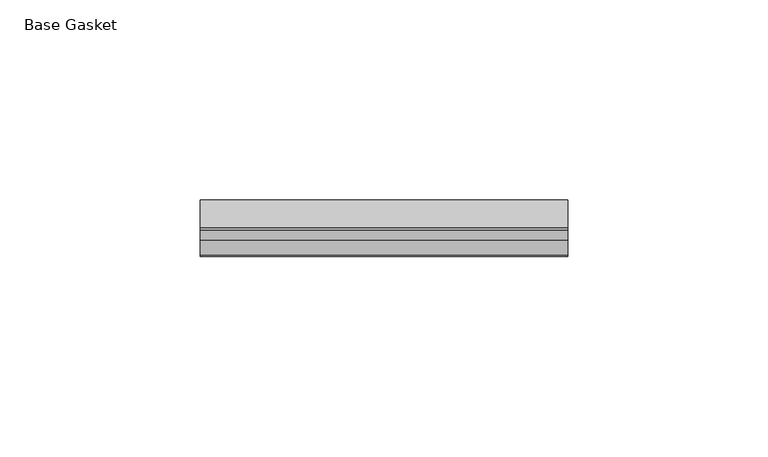
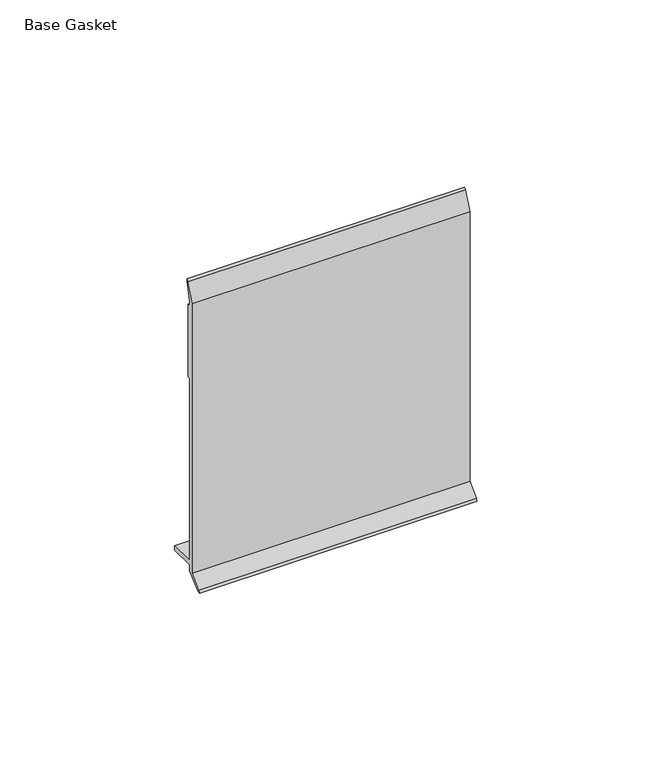
"""IFC4 building model written with IfcOpenShell, lengths in millimetres: furniture geometry, Base Gasket."""

from ifc_helpers import new_model, si_unit, frame, origin, place, context, project, spatial, polyline, outline, extrude, source, transform, mapped, element, save


def base_gasket_173f4ce4(model_context):
    return source(origin(), model_context, "Body", "SweptSolid", [
        extrude(outline(polyline([(-3.7283812, 98.4568417), (-1.1891543, 104.587663), (-0.6755308, 105.2002997), (-0.6755308, 104.4162708), (-2.2043812, 98.4568417), (-2.2043812, 96.8693477), (-1.4106313, 96.8693477), (-1.4106313, 71.4693447), (-2.2043812, 71.4693447), (-2.2043812, 7.9398773), (6.2405171, 7.9398773), (6.2405171, 6.3818476), (-2.1334222, 6.3818476), (-2.2043812, 4.3498477), (-6.8281054, 0.3520979), (-7.8482342, 0.0), (-7.4222115, 0.6560174), (-3.7283812, 4.3498477), (-3.7283812, 98.4568417)])), frame((-1527.8982117, 0.0, 0.0), z_axis=(1.0, 0.0, 0.0), x_axis=(0.0, 1.0, 0.0)), (0.0, 0.0, 1.0), 91.6318181),
    ])


if __name__ == "__main__":
    model = new_model("IFC4")
    model_context = context("Model", 3, world=origin())
    ifc_project = project(units=[si_unit("LENGTHUNIT", "METRE", prefix="MILLI")], contexts=[model_context])
    site = spatial("IfcSite", under=ifc_project)
    building = spatial("IfcBuilding", under=site)
    placement = place(None, origin())
    base_gasket_shape = base_gasket_173f4ce4(model_context)
    element("IfcFurniture", 1, ObjectType="Base Gasket", at=placement, inside=building, context=model_context, shape_type="MappedRepresentation", body=[
        mapped(base_gasket_shape, transform((0.0, 0.0, 0.0), x_axis=(1.0, 0.0, 0.0), y_axis=(0.0, 1.0, 0.0), z_axis=(0.0, 0.0, 1.0))),
    ])
    save(model, "model.ifc")
